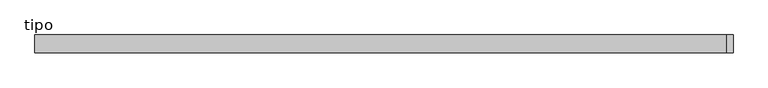
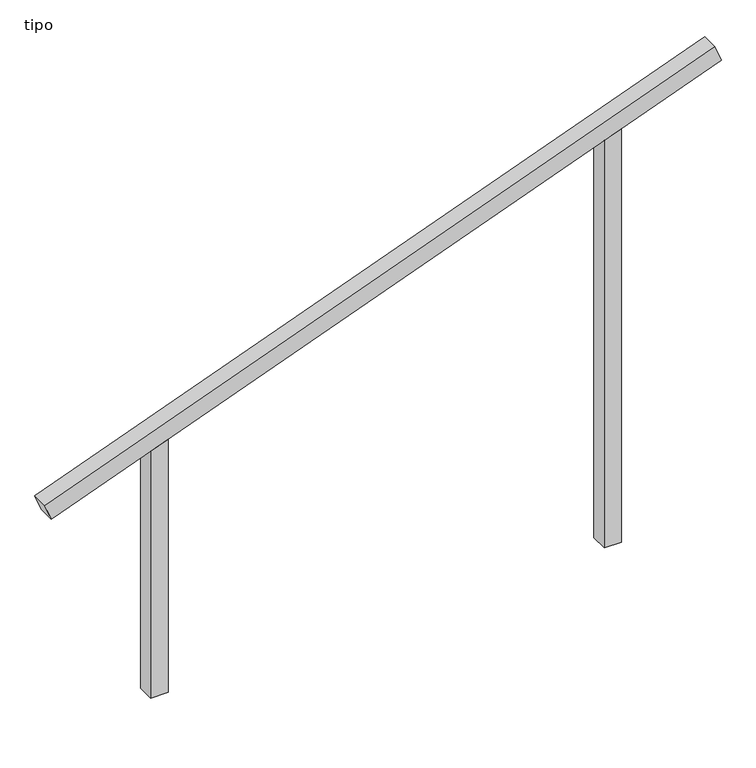
"""IFC4 building model written with IfcOpenShell, lengths in millimetres: proxy geometry, tipo."""

from ifc_helpers import new_model, si_unit, frame, origin, place, context, project, spatial, polyline, outline, extrude, source, transform, mapped, element, save


def tipo_ca145f97(model_context):
    return source(origin(), model_context, "Body", "SweptSolid", [
        extrude(outline(polyline([(0.0, -4100.0), (0.0, 0.0), (100.0, 0.0), (100.0, -4100.0), (0.0, -4100.0)])), frame((-1920.3737945, -100.0, 1282.5987947), z_axis=(-0.349951807465066, 0.0, 0.9367677046375656), x_axis=(0.0, 1.0, 0.0)), (0.0, 0.0, 1.0), 100.0),
        extrude(outline(polyline([(2504.3245382, 1350.0), (2466.967165, 1250.0), (0.0, 1250.0), (0.0, 1350.0), (2504.3245382, 1350.0)])), frame((0.0, -100.0, 0.0), z_axis=(0.0, 1.0, 0.0), x_axis=(0.0, 0.0, 1.0)), (0.0, 0.0, 1.0), 100.0),
        extrude(outline(polyline([(1495.6754618, -1350.0), (0.0, -1350.0), (0.0, -1250.0), (1533.032835, -1250.0), (1495.6754618, -1350.0)])), frame((0.0, -100.0, 0.0), z_axis=(0.0, 1.0, 0.0), x_axis=(0.0, 0.0, 1.0)), (0.0, 0.0, 1.0), 100.0),
    ])


if __name__ == "__main__":
    model = new_model("IFC4")
    model_context = context("Model", 3, world=origin())
    ifc_project = project(units=[si_unit("LENGTHUNIT", "METRE", prefix="MILLI")], contexts=[model_context])
    site = spatial("IfcSite", under=ifc_project)
    building = spatial("IfcBuilding", under=site)
    placement = place(None, origin())
    tipo_shape = tipo_ca145f97(model_context)
    element("IfcBuildingElementProxy", 1, Name="tipo", ObjectType="tipo", at=placement, inside=building, context=model_context, shape_type="MappedRepresentation", body=[
        mapped(tipo_shape, transform((0.0, 0.0, 0.0), x_axis=(1.0, 0.0, 0.0), y_axis=(0.0, 1.0, 0.0), z_axis=(0.0, 0.0, 1.0))),
    ])
    save(model, "model.ifc")
